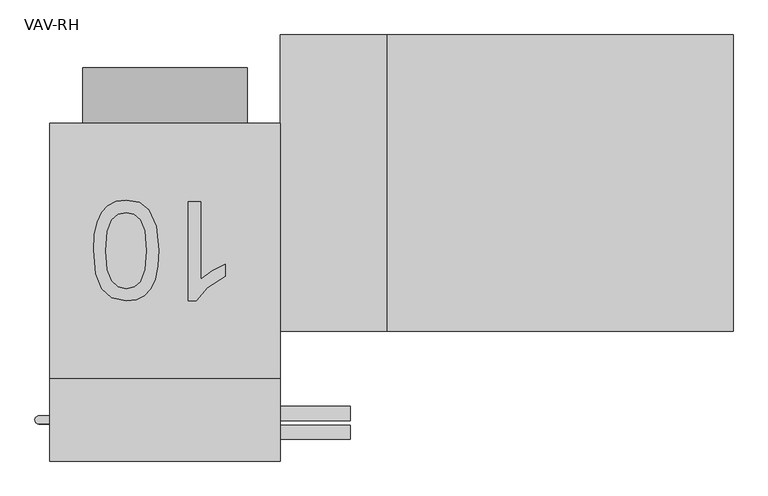
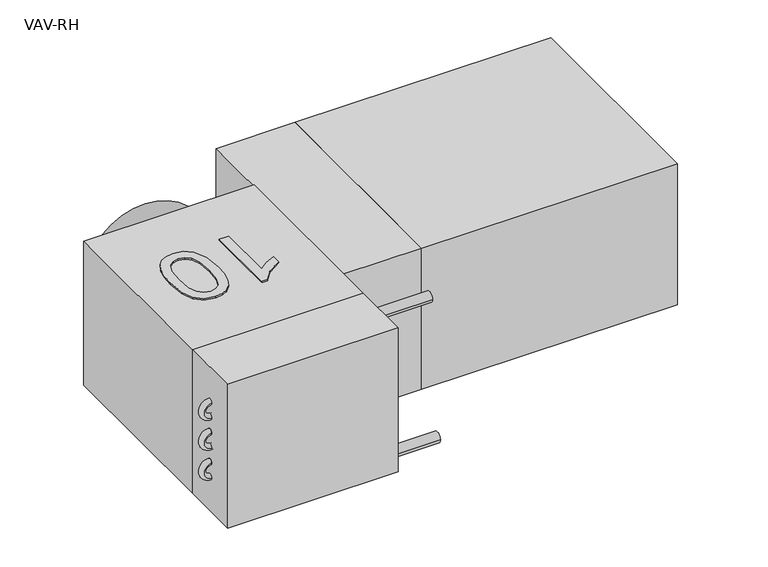
"""IFC4 building model written with IfcOpenShell, lengths in millimetres: proxy geometry, VAV-RH."""

from ifc_helpers import new_model, si_unit, point, frame, frame_2d, origin, origin_with_axes, origin_2d, place, context, project, spatial, polyline, circle_curve, ellipse_curve, trimmed, segment, composite_curve, outline, extrude, source, transform, mapped, element, save
from ifc_brep_helpers import plane_surface, revolved_surface, advanced_brep


def vav_rh_5bb63c8f(model_context):
    return source(origin(), model_context, "Body", "SolidModel", [
        extrude(outline(composite_curve([segment(trimmed(circle_curve(frame_2d((-476.25, -146.05)), 11.1125), [point((-487.3625, -146.05))], [point((-465.1375, -146.05))], False, "CARTESIAN"), True, "CONTINUOUS"), segment(trimmed(circle_curve(frame_2d((-476.25, -146.05)), 11.1125), [point((-465.1375, -146.05))], [point((-487.3625, -146.05))], False, "CARTESIAN"), True, "CONTINUOUS")], self_intersect=False)), frame((0.0, 0.0, 0.0), z_axis=(1.0, 0.0, 0.0), x_axis=(0.0, 1.0, 0.0)), (0.0, 0.0, 1.0), 285.75),
        extrude(outline(composite_curve([segment(trimmed(circle_curve(frame_2d((-447.675, 146.05)), 11.1125), [point((-458.7875, 146.05))], [point((-436.5625, 146.05))], False, "CARTESIAN"), True, "CONTINUOUS"), segment(trimmed(circle_curve(frame_2d((-447.675, 146.05)), 11.1125), [point((-436.5625, 146.05))], [point((-458.7875, 146.05))], False, "CARTESIAN"), True, "CONTINUOUS")], self_intersect=False)), frame((0.0, 0.0, 0.0), z_axis=(1.0, 0.0, 0.0), x_axis=(0.0, 1.0, 0.0)), (0.0, 0.0, 1.0), 285.75),
        advanced_brep(
        [(-177.8, -463.55, 82.55), (-177.8, -450.85, 82.55), (-177.8, -463.55, 49.53), (-177.8, -450.85, 49.53), (-177.8, -463.55, 16.51), (-177.8, -450.85, 16.51), (-177.8, -463.55, -16.51), (-177.8, -450.85, -16.51), (-177.8, -463.55, -49.53), (-177.8, -450.85, -49.53), (-177.8, -463.55, -82.55), (-177.8, -450.85, -82.55)],
        [
            (0, 1, circle_curve(frame((-177.8, -457.2, 82.55), z_axis=(1.0, 0.0, 0.0), x_axis=(0.0, 1.0, 0.0)), 6.35)),
            (1, 0, circle_curve(frame((-177.8, -457.2, 82.55), z_axis=(1.0, 0.0, 0.0), x_axis=(0.0, 1.0, 0.0)), 6.35)),
            (2, 0, circle_curve(frame((-177.8, -463.55, 66.04), z_axis=(0.0, 1.0, 0.0), x_axis=(0.0, 0.0, 1.0)), 16.51)),
            (1, 3, circle_curve(frame((-177.8, -450.85, 66.04), z_axis=(0.0, -1.0, 0.0), x_axis=(0.0, 0.0, 1.0)), 16.51)),
            (3, 2, circle_curve(frame((-177.8, -457.2, 49.53), z_axis=(-1.0, 0.0, 0.0), x_axis=(0.0, 1.0, 0.0)), 6.35)),
            (2, 3, circle_curve(frame((-177.8, -457.2, 49.53), z_axis=(-1.0, 0.0, 0.0), x_axis=(0.0, 1.0, 0.0)), 6.35)),
            (4, 2, circle_curve(frame((-177.8, -463.55, 33.02), z_axis=(0.0, -1.0, 0.0), x_axis=(0.0, 0.0, 1.0)), 16.51)),
            (3, 5, circle_curve(frame((-177.8, -450.85, 33.02), z_axis=(0.0, 1.0, 0.0), x_axis=(0.0, 0.0, 1.0)), 16.51)),
            (5, 4, circle_curve(frame((-177.8, -457.2, 16.51), z_axis=(1.0, 0.0, 0.0), x_axis=(0.0, 1.0, 0.0)), 6.35)),
            (4, 5, circle_curve(frame((-177.8, -457.2, 16.51), z_axis=(1.0, 0.0, 0.0), x_axis=(0.0, 1.0, 0.0)), 6.35)),
            (6, 4, circle_curve(frame((-177.8, -463.55, 0.0), z_axis=(0.0, 1.0, 0.0), x_axis=(0.0, 0.0, 1.0)), 16.51)),
            (5, 7, circle_curve(frame((-177.8, -450.85, 0.0), z_axis=(0.0, -1.0, 0.0), x_axis=(0.0, 0.0, 1.0)), 16.51)),
            (7, 6, circle_curve(frame((-177.8, -457.2, -16.51), z_axis=(-1.0, 0.0, 0.0), x_axis=(0.0, 1.0, 0.0)), 6.35)),
            (6, 7, circle_curve(frame((-177.8, -457.2, -16.51), z_axis=(-1.0, 0.0, 0.0), x_axis=(0.0, 1.0, 0.0)), 6.35)),
            (8, 6, circle_curve(frame((-177.8, -463.55, -33.02), z_axis=(0.0, -1.0, 0.0), x_axis=(0.0, 0.0, 1.0)), 16.51)),
            (7, 9, circle_curve(frame((-177.8, -450.85, -33.02), z_axis=(0.0, 1.0, 0.0), x_axis=(0.0, 0.0, 1.0)), 16.51)),
            (9, 8, circle_curve(frame((-177.8, -457.2, -49.53), z_axis=(1.0, 0.0, 0.0), x_axis=(0.0, 1.0, 0.0)), 6.35)),
            (8, 9, circle_curve(frame((-177.8, -457.2, -49.53), z_axis=(1.0, 0.0, 0.0), x_axis=(0.0, 1.0, 0.0)), 6.35)),
            (10, 11, circle_curve(frame((-177.8, -457.2, -82.55), z_axis=(1.0, 0.0, 0.0), x_axis=(0.0, 1.0, 0.0)), 6.35)),
            (11, 10, circle_curve(frame((-177.8, -457.2, -82.55), z_axis=(1.0, 0.0, 0.0), x_axis=(0.0, 1.0, 0.0)), 6.35)),
            (10, 8, circle_curve(frame((-177.8, -463.55, -66.04), z_axis=(0.0, 1.0, 0.0), x_axis=(0.0, 0.0, 1.0)), 16.51)),
            (9, 11, circle_curve(frame((-177.8, -450.85, -66.04), z_axis=(0.0, -1.0, 0.0), x_axis=(0.0, 0.0, 1.0)), 16.51)),
        ],
        [
            plane_surface(frame((-177.8, -457.2, 82.55), z_axis=(1.0, 0.0, 0.0), x_axis=(0.0, 1.0, 0.0))),
            revolved_surface(trimmed(ellipse_curve(frame((-177.8, -457.2, 82.55), z_axis=(1.0, 0.0, 0.0), x_axis=(0.0, 1.0, 0.0)), 6.35, 6.35), [point((-177.8, -450.85, 82.55))], [point((-177.8, -463.55, 82.55))], True, "CARTESIAN"), (-177.8, -457.2, 66.04), (0.0, -1.0, 0.0)),
            revolved_surface(trimmed(ellipse_curve(frame((-177.8, -457.2, 82.55), z_axis=(1.0, 0.0, 0.0), x_axis=(0.0, 1.0, 0.0)), 6.35, 6.35), [point((-177.8, -463.55, 82.55))], [point((-177.8, -450.85, 82.55))], True, "CARTESIAN"), (-177.8, -457.2, 66.04), (0.0, -1.0, 0.0)),
            revolved_surface(trimmed(ellipse_curve(frame((-177.8, -457.2, 49.53), z_axis=(-1.0, 0.0, 0.0), x_axis=(0.0, 1.0, 0.0)), 6.35, 6.35), [point((-177.8, -450.85, 49.53))], [point((-177.8, -463.55, 49.53))], True, "CARTESIAN"), (-177.8, -457.2, 33.02), (0.0, 1.0, 0.0)),
            revolved_surface(trimmed(ellipse_curve(frame((-177.8, -457.2, 49.53), z_axis=(-1.0, 0.0, 0.0), x_axis=(0.0, 1.0, 0.0)), 6.35, 6.35), [point((-177.8, -463.55, 49.53))], [point((-177.8, -450.85, 49.53))], True, "CARTESIAN"), (-177.8, -457.2, 33.02), (0.0, 1.0, 0.0)),
            revolved_surface(trimmed(ellipse_curve(frame((-177.8, -457.2, 16.51), z_axis=(1.0, 0.0, 0.0), x_axis=(0.0, 1.0, 0.0)), 6.35, 6.35), [point((-177.8, -450.85, 16.51))], [point((-177.8, -463.55, 16.51))], True, "CARTESIAN"), (-177.8, -457.2, 0.0), (0.0, -1.0, 0.0)),
            revolved_surface(trimmed(ellipse_curve(frame((-177.8, -457.2, 16.51), z_axis=(1.0, 0.0, 0.0), x_axis=(0.0, 1.0, 0.0)), 6.35, 6.35), [point((-177.8, -463.55, 16.51))], [point((-177.8, -450.85, 16.51))], True, "CARTESIAN"), (-177.8, -457.2, 0.0), (0.0, -1.0, 0.0)),
            revolved_surface(trimmed(ellipse_curve(frame((-177.8, -457.2, -16.51), z_axis=(-1.0, 0.0, 0.0), x_axis=(0.0, 1.0, 0.0)), 6.35, 6.35), [point((-177.8, -450.85, -16.51))], [point((-177.8, -463.55, -16.51))], True, "CARTESIAN"), (-177.8, -457.2, -33.02), (0.0, 1.0, 0.0)),
            revolved_surface(trimmed(ellipse_curve(frame((-177.8, -457.2, -16.51), z_axis=(-1.0, 0.0, 0.0), x_axis=(0.0, 1.0, 0.0)), 6.35, 6.35), [point((-177.8, -463.55, -16.51))], [point((-177.8, -450.85, -16.51))], True, "CARTESIAN"), (-177.8, -457.2, -33.02), (0.0, 1.0, 0.0)),
            plane_surface(frame((-177.8, -457.2, -82.55), z_axis=(1.0, 0.0, 0.0), x_axis=(0.0, 1.0, 0.0))),
            revolved_surface(trimmed(ellipse_curve(frame((-177.8, -457.2, -49.53), z_axis=(1.0, 0.0, 0.0), x_axis=(0.0, 1.0, 0.0)), 6.35, 6.35), [point((-177.8, -450.85, -49.53))], [point((-177.8, -463.55, -49.53))], True, "CARTESIAN"), (-177.8, -457.2, -66.04), (0.0, -1.0, 0.0)),
            revolved_surface(trimmed(ellipse_curve(frame((-177.8, -457.2, -49.53), z_axis=(1.0, 0.0, 0.0), x_axis=(0.0, 1.0, 0.0)), 6.35, 6.35), [point((-177.8, -463.55, -49.53))], [point((-177.8, -450.85, -49.53))], True, "CARTESIAN"), (-177.8, -457.2, -66.04), (0.0, -1.0, 0.0)),
        ],
        [
            (0, [[1, 2]]),
            (1, [[3, -2, 4, 5]]),
            (2, [[-4, -1, -3, 6]]),
            (3, [[7, -5, 8, 9]]),
            (4, [[-8, -6, -7, 10]]),
            (5, [[11, -9, 12, 13]]),
            (6, [[-12, -10, -11, 14]]),
            (7, [[15, -13, 16, 17]]),
            (8, [[-16, -14, -15, 18]]),
            (9, [[19, 20]]),
            (10, [[21, -17, 22, -19]]),
            (11, [[-22, -18, -21, -20]]),
        ],
    ),
        extrude(outline(polyline([(177.8, -520.7), (-177.8, -520.7), (-177.8, -393.7), (177.8, -393.7), (177.8, -520.7)])), frame((0.0, 0.0, -158.75), z_axis=(0.0, 0.0, 1.0), x_axis=(1.0, 0.0, 0.0)), (0.0, 0.0, 1.0), 317.5),
        extrude(outline(polyline([(876.3, 136.525), (876.3, -320.675), (342.9, -320.675), (342.9, 136.525), (876.3, 136.525)])), frame((0.0, 0.0, -155.575), z_axis=(0.0, 0.0, 1.0), x_axis=(1.0, 0.0, 0.0)), (0.0, 0.0, 1.0), 311.15),
        extrude(outline(polyline([(342.9, 136.525), (342.9, -320.675), (177.8, -320.675), (177.8, 136.525), (342.9, 136.525)])), frame((0.0, 0.0, -155.575), z_axis=(0.0, 0.0, 1.0), x_axis=(1.0, 0.0, 0.0)), (0.0, 0.0, 1.0), 311.15),
        extrude(outline(polyline([(35.8817383, -120.65), (55.0186654, -120.65), (55.0186654, -239.9567798), (73.1464186, -227.0430917), (93.2925195, -217.3811861), (93.2925195, -235.4715625), (65.2412231, -253.3750548), (48.2160858, -273.7454167), (35.8817383, -273.7454167), (35.8817383, -120.65)])), origin_with_axes(), (0.0, 0.0, 1.0), 161.925),
        extrude(outline(polyline([(-9.5684635, -195.9642736), (-10.974766, -220.4694451), (-15.1936736, -240.012845), (-22.1831372, -254.8934878), (-31.9011079, -265.4103879), (-44.4176674, -271.6616595), (-59.8028971, -273.7454167), (-82.1542299, -268.8116777), (-97.5908528, -254.5898012), (-106.5612873, -231.9394539), (-110.0373307, -195.9642736), (-108.6450445, -171.5992651), (-104.4681859, -152.1025862), (-97.5207712, -137.2079271), (-87.8168168, -126.6489781), (-75.2722247, -120.3556576), (-59.8028971, -118.2578841), (-39.9184338, -121.9021232), (-24.8182023, -132.8348403), (-13.3808982, -158.7276259), (-9.5684635, -195.9642736)]), holes=[polyline([(-28.7053906, -196.0016504), (-30.9479993, -165.8993015), (-37.6758252, -148.4770356), (-47.6928105, -140.1653673), (-59.8028971, -137.3948112), (-71.9129838, -140.1747115), (-81.9299691, -148.5144124), (-88.657795, -165.9460225), (-90.9004036, -196.0016504), (-88.7325486, -225.4265446), (-82.2289836, -242.9843015), (-72.2306867, -251.7024426), (-59.5786363, -254.6084896), (-47.5993684, -252.0481781), (-37.9748397, -244.3672434), (-31.0227529, -225.7162149), (-28.7053906, -196.0016504)])]), origin_with_axes(), (0.0, 0.0, 1.0), 161.925),
        extrude(outline(composite_curve([segment(trimmed(circle_curve(origin_2d(), 127.0), [point((0.0, 127.0))], [point((0.0, -127.0))], False, "CARTESIAN"), True, "CONTINUOUS"), segment(trimmed(circle_curve(origin_2d(), 127.0), [point((0.0, -127.0))], [point((0.0, 127.0))], False, "CARTESIAN"), True, "CONTINUOUS")], self_intersect=False)), frame((0.0, 0.0, 0.0), z_axis=(0.0, 1.0, 0.0), x_axis=(0.0, 0.0, 1.0)), (0.0, 0.0, 1.0), 85.725),
        extrude(outline(polyline([(177.8, -393.7), (-177.8, -393.7), (-177.8, 0.0), (177.8, 0.0), (177.8, -393.7)])), frame((0.0, 0.0, -158.75), z_axis=(0.0, 0.0, 1.0), x_axis=(1.0, 0.0, 0.0)), (0.0, 0.0, 1.0), 317.5),
    ])


if __name__ == "__main__":
    model = new_model("IFC4")
    model_context = context("Model", 3, world=origin())
    ifc_project = project(units=[si_unit("LENGTHUNIT", "METRE", prefix="MILLI")], contexts=[model_context])
    site = spatial("IfcSite", under=ifc_project)
    building = spatial("IfcBuilding", under=site)
    placement = place(None, origin())
    vav_rh_shape = vav_rh_5bb63c8f(model_context)
    element("IfcBuildingElementProxy", 1, Name="VAV-RH", ObjectType="VAV-RH", at=placement, inside=building, context=model_context, shape_type="MappedRepresentation", body=[
        mapped(vav_rh_shape, transform((0.0, 0.0, 0.0), x_axis=(1.0, 0.0, 0.0), y_axis=(0.0, 1.0, 0.0), z_axis=(0.0, 0.0, 1.0))),
    ])
    save(model, "model.ifc")
